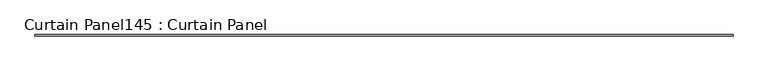
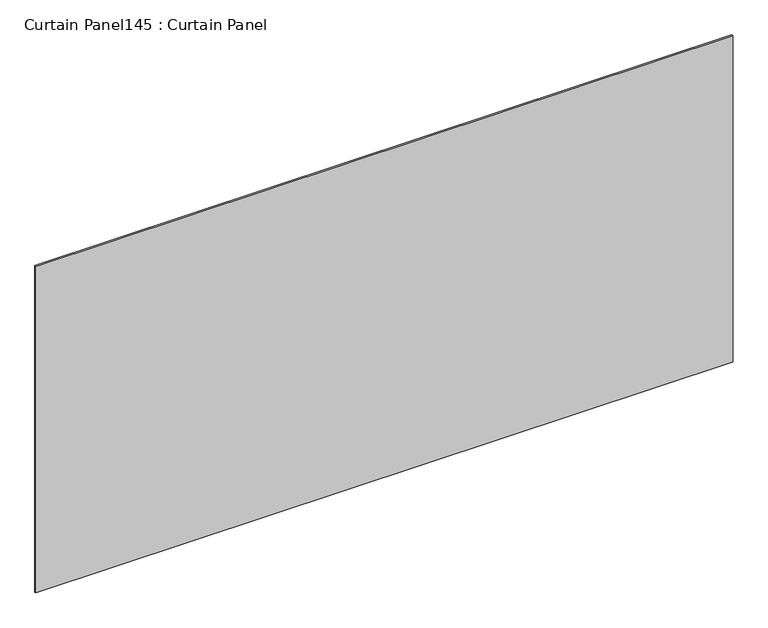
"""IFC4 building model written with IfcOpenShell, lengths in millimetres: plate geometry, Curtain Panel145 : Curtain Panel."""

from ifc_helpers import new_model, si_unit, frame, origin, place, context, project, spatial, polyline, outline, extrude, source, transform, mapped, element, save


def curtain_panel145_curtain_panel_be706557(model_context):
    return source(origin(), model_context, "Body", "SweptSolid", [
        extrude(outline(polyline([(385402.2312536, 2292.6839321), (382354.2312536, 2292.6839321), (382354.2312536, 2299.0339321), (385402.2312536, 2299.0339321), (385402.2312536, 2292.6839321)])), frame((0.0, 0.0, 8558.0683255), z_axis=(0.0, 0.0, 1.0), x_axis=(1.0, 0.0, 0.0)), (0.0, 0.0, 1.0), 1509.6865499),
    ])


if __name__ == "__main__":
    model = new_model("IFC4")
    model_context = context("Model", 3, world=origin())
    ifc_project = project(units=[si_unit("LENGTHUNIT", "METRE", prefix="MILLI")], contexts=[model_context])
    site = spatial("IfcSite", under=ifc_project)
    building = spatial("IfcBuilding", under=site)
    placement = place(None, origin())
    curtain_panel145_curtain_panel_shape = curtain_panel145_curtain_panel_be706557(model_context)
    element("IfcPlate", 1, ObjectType="Curtain Panel145 : Curtain Panel", at=placement, inside=building, context=model_context, shape_type="MappedRepresentation", body=[
        mapped(curtain_panel145_curtain_panel_shape, transform((0.0, 0.0, 0.0), x_axis=(1.0, 0.0, 0.0), y_axis=(0.0, 1.0, 0.0), z_axis=(0.0, 0.0, 1.0))),
    ])
    save(model, "model.ifc")
